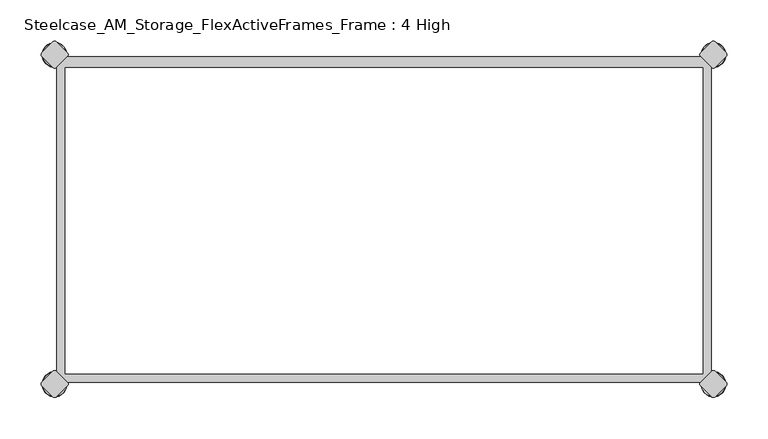
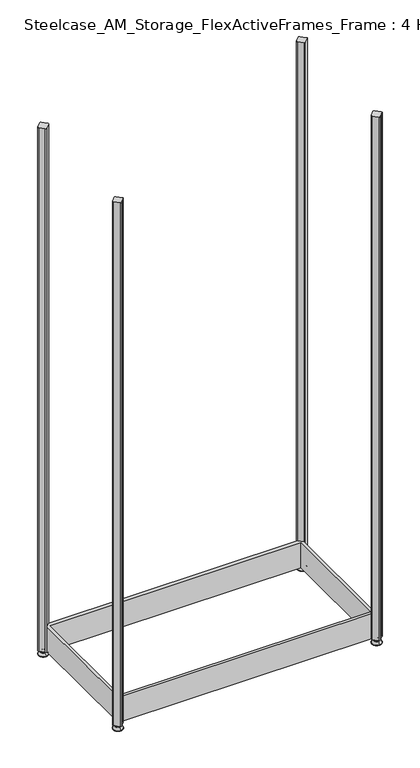
"""IFC4 building model written with IfcOpenShell, lengths in millimetres: furniture geometry, Steelcase_AM_Storage_FlexActiveFrames_Frame : 4 High."""

from ifc_helpers import new_model, si_unit, point, frame, frame_2d, origin, place, context, project, spatial, polyline, circle_curve, ellipse_curve, trimmed, segment, composite_curve, outline, extrude, source, transform, mapped, element, save
from ifc_brep_helpers import plane_surface, cylinder_surface, revolved_surface, advanced_brep


def steelcase_am_storage_flexactiveframes_frame_4_high_58f4c515(model_context):
    return source(origin(), model_context, "Body", "SolidModel", [
        extrude(outline(polyline([(2.54, -384.9123305), (2.54, -15.1376695), (15.1376695, -2.54), (784.9623305, -2.54), (797.56, -15.1376695), (797.56, -384.9123305), (784.9623305, -397.51), (15.1376695, -397.51), (2.54, -384.9123305)]), holes=[polyline([(12.7, -15.748), (12.7, -387.35), (787.4, -387.35), (787.4, -15.748), (12.7, -15.748)])]), frame((0.0, 0.0, 15.9766), z_axis=(0.0, 0.0, 1.0), x_axis=(1.0, 0.0, 0.0)), (0.0, 0.0, 1.0), 81.28),
        advanced_brep(
        [(800.1, 3.999659, 15.9766), (800.1, -3.999659, 15.9766), (800.1, 0.0, 15.9766), (800.1, 3.999659, 12.6000054), (800.1, -3.999659, 12.6000054), (800.1, 5.8601455, 12.6000054), (800.1, -5.8601455, 12.6000054), (800.1, 6.4951462, 11.9650074), (800.1, -6.4951462, 11.9650074), (800.1, 6.4951462, 9.0000124), (800.1, -6.4951462, 9.0000124), (800.1, 8.7421976, 9.0000124), (800.1, -8.7421976, 9.0000124), (800.1, 14.7060077, 2.3275608), (800.1, -14.7060077, 2.3275608), (800.1, 13.664601, 0.0), (800.1, -13.664601, 0.0), (800.1, 0.0, 0.0)],
        [
            (0, 1, circle_curve(frame((800.1, 0.0, 15.9766), z_axis=(0.0, 0.0, 1.0), x_axis=(0.0, -1.0, 0.0)), 3.999659)),
            (1, 2),
            (2, 0),
            (1, 0, circle_curve(frame((800.1, 0.0, 15.9766), z_axis=(0.0, 0.0, 1.0), x_axis=(0.0, -1.0, 0.0)), 3.999659)),
            (3, 4, circle_curve(frame((800.1, 0.0, 12.6000054), z_axis=(0.0, 0.0, 1.0), x_axis=(0.0, -1.0, 0.0)), 3.999659)),
            (4, 1),
            (0, 3),
            (4, 3, circle_curve(frame((800.1, 0.0, 12.6000054), z_axis=(0.0, 0.0, 1.0), x_axis=(0.0, -1.0, 0.0)), 3.999659)),
            (5, 6, circle_curve(frame((800.1, 0.0, 12.6000054), z_axis=(0.0, 0.0, 1.0), x_axis=(0.0, -1.0, 0.0)), 5.8601455)),
            (6, 4),
            (3, 5),
            (6, 5, circle_curve(frame((800.1, 0.0, 12.6000054), z_axis=(0.0, 0.0, 1.0), x_axis=(0.0, -1.0, 0.0)), 5.8601455)),
            (7, 8, circle_curve(frame((800.1, 0.0, 11.9650074), z_axis=(0.0, 0.0, 1.0), x_axis=(0.0, -1.0, 0.0)), 6.4951462)),
            (8, 6, circle_curve(frame((800.1, -5.8601462, 11.9650074), z_axis=(-1.0, 0.0, 0.0), x_axis=(0.0, -1.0, 0.0)), 0.635)),
            (5, 7, circle_curve(frame((800.1, 5.8601462, 11.9650074), z_axis=(-1.0, 0.0, 0.0), x_axis=(0.0, 1.0, 0.0)), 0.635)),
            (8, 7, circle_curve(frame((800.1, 0.0, 11.9650074), z_axis=(0.0, 0.0, 1.0), x_axis=(0.0, -1.0, 0.0)), 6.4951462)),
            (9, 10, circle_curve(frame((800.1, 0.0, 9.0000124), z_axis=(0.0, 0.0, 1.0), x_axis=(0.0, -1.0, 0.0)), 6.4951462)),
            (10, 8),
            (7, 9),
            (10, 9, circle_curve(frame((800.1, 0.0, 9.0000124), z_axis=(0.0, 0.0, 1.0), x_axis=(0.0, -1.0, 0.0)), 6.4951462)),
            (11, 12, circle_curve(frame((800.1, 0.0, 9.0000124), z_axis=(0.0, 0.0, 1.0), x_axis=(0.0, -1.0, 0.0)), 8.7421976)),
            (12, 10),
            (9, 11),
            (12, 11, circle_curve(frame((800.1, 0.0, 9.0000124), z_axis=(0.0, 0.0, 1.0), x_axis=(0.0, -1.0, 0.0)), 8.7421976)),
            (13, 14, circle_curve(frame((800.1, 0.0, 2.3275608), z_axis=(0.0, 0.0, 1.0), x_axis=(0.0, -1.0, 0.0)), 14.7060077)),
            (14, 12),
            (11, 13),
            (14, 13, circle_curve(frame((800.1, 0.0, 2.3275608), z_axis=(0.0, 0.0, 1.0), x_axis=(0.0, -1.0, 0.0)), 14.7060077)),
            (15, 16, circle_curve(frame((800.1, 0.0, 0.0), z_axis=(0.0, 0.0, 1.0), x_axis=(0.0, -1.0, 0.0)), 13.664601)),
            (16, 14, circle_curve(frame((800.1, -13.664601, 1.3967556), z_axis=(-1.0, 0.0, 0.0), x_axis=(0.0, -1.0, 0.0)), 1.3967556)),
            (13, 15, circle_curve(frame((800.1, 13.664601, 1.3967556), z_axis=(-1.0, 0.0, 0.0), x_axis=(0.0, 1.0, 0.0)), 1.3967556)),
            (16, 15, circle_curve(frame((800.1, 0.0, 0.0), z_axis=(0.0, 0.0, 1.0), x_axis=(0.0, -1.0, 0.0)), 13.664601)),
            (17, 16),
            (15, 17),
        ],
        [
            plane_surface(frame((800.1, 0.0, 15.9766), z_axis=(0.0, 0.0, 1.0), x_axis=(0.0, -1.0, 0.0))),
            cylinder_surface(frame((800.1, 0.0, -4.132372), z_axis=(0.0, 0.0, -1.0), x_axis=(0.0, -1.0, 0.0)), 3.999659),
            plane_surface(frame((800.1, 0.0, 12.6000054), z_axis=(0.0, 0.0, 1.0), x_axis=(0.0, -1.0, 0.0))),
            revolved_surface(trimmed(ellipse_curve(frame((800.1, -5.8601462, 11.9650074), z_axis=(1.0, 0.0, 0.0), x_axis=(0.0, -1.0, 0.0)), 0.635, 0.635), [point((800.1, -5.8601455, 12.6000074))], [point((800.1, -6.4951462, 11.9650074))], True, "CARTESIAN"), (800.1, 0.0, -4.132372), (0.0, 0.0, -1.0)),
            cylinder_surface(frame((800.1, 0.0, -4.132372), z_axis=(0.0, 0.0, -1.0), x_axis=(0.0, -1.0, 0.0)), 6.4951462),
            plane_surface(frame((800.1, 0.0, 9.0000124), z_axis=(0.0, 0.0, 1.0), x_axis=(0.0, -1.0, 0.0))),
            revolved_surface(polyline([(800.1, -8.7421976, 9.0000124), (800.1, -14.7060077, 2.3275608)]), (800.1, 0.0, -4.132372), (0.0, 0.0, -1.0)),
            revolved_surface(trimmed(ellipse_curve(frame((800.1, -13.664601, 1.3967556), z_axis=(1.0, 0.0, 0.0), x_axis=(0.0, -1.0, 0.0)), 1.3967556, 1.3967556), [point((800.1, -14.7060077, 2.3275608))], [point((800.1, -13.664601, 0.0))], True, "CARTESIAN"), (800.1, 0.0, -4.132372), (0.0, 0.0, -1.0)),
            plane_surface(frame((800.1, 0.0, 0.0), z_axis=(0.0, 0.0, -1.0), x_axis=(0.0, -1.0, 0.0))),
        ],
        [
            (0, [[1, 2, 3]]),
            (0, [[4, -3, -2]]),
            (1, [[5, 6, -1, 7]]),
            (1, [[8, -7, -4, -6]]),
            (2, [[9, 10, -5, 11]]),
            (2, [[12, -11, -8, -10]]),
            (3, [[13, 14, -9, 15]]),
            (3, [[16, -15, -12, -14]]),
            (4, [[17, 18, -13, 19]]),
            (4, [[20, -19, -16, -18]]),
            (5, [[21, 22, -17, 23]]),
            (5, [[24, -23, -20, -22]]),
            (6, [[25, 26, -21, 27]]),
            (6, [[28, -27, -24, -26]]),
            (7, [[29, 30, -25, 31]]),
            (7, [[32, -31, -28, -30]]),
            (8, [[33, -29, 34]]),
            (8, [[-34, -32, -33]]),
        ],
    ),
        advanced_brep(
        [(800.1, -400.05, 15.9766), (800.1, -396.050341, 15.9766), (800.1, -404.049659, 15.9766), (800.1, -396.050341, 12.6000054), (800.1, -404.049659, 12.6000054), (800.1, -394.1898545, 12.6000074), (800.1, -405.9101455, 12.6000074), (800.1, -393.5548538, 11.9650074), (800.1, -406.5451462, 11.9650074), (800.1, -393.5548538, 9.0000124), (800.1, -406.5451462, 9.0000124), (800.1, -391.3078024, 9.0000124), (800.1, -408.7921976, 9.0000124), (800.1, -385.3439923, 2.3275608), (800.1, -414.7560077, 2.3275608), (800.1, -386.385399, 0.0), (800.1, -413.714601, 0.0), (800.1, -400.05, 0.0)],
        [
            (0, 1),
            (1, 2, circle_curve(frame((800.1, -400.05, 15.9766), z_axis=(0.0, 0.0, 1.0), x_axis=(0.0, 1.0, 0.0)), 3.999659)),
            (2, 0),
            (2, 1, circle_curve(frame((800.1, -400.05, 15.9766), z_axis=(0.0, 0.0, 1.0), x_axis=(0.0, 1.0, 0.0)), 3.999659)),
            (1, 3),
            (3, 4, circle_curve(frame((800.1, -400.05, 12.6000054), z_axis=(0.0, 0.0, 1.0), x_axis=(0.0, 1.0, 0.0)), 3.999659)),
            (4, 2),
            (4, 3, circle_curve(frame((800.1, -400.05, 12.6000054), z_axis=(0.0, 0.0, 1.0), x_axis=(0.0, 1.0, 0.0)), 3.999659)),
            (3, 5),
            (5, 6, circle_curve(frame((800.1, -400.05, 12.6000074), z_axis=(0.0, 0.0, 1.0), x_axis=(0.0, 1.0, 0.0)), 5.8601455)),
            (6, 4),
            (6, 5, circle_curve(frame((800.1, -400.05, 12.6000074), z_axis=(0.0, 0.0, 1.0), x_axis=(0.0, 1.0, 0.0)), 5.8601455)),
            (5, 7, circle_curve(frame((800.1, -394.1898538, 11.9650074), z_axis=(-1.0, 0.0, 0.0), x_axis=(0.0, 1.0, 0.0)), 0.635)),
            (7, 8, circle_curve(frame((800.1, -400.05, 11.9650074), z_axis=(0.0, 0.0, 1.0), x_axis=(0.0, 1.0, 0.0)), 6.4951462)),
            (8, 6, circle_curve(frame((800.1, -405.9101462, 11.9650074), z_axis=(-1.0, 0.0, 0.0), x_axis=(0.0, -1.0, 0.0)), 0.635)),
            (8, 7, circle_curve(frame((800.1, -400.05, 11.9650074), z_axis=(0.0, 0.0, 1.0), x_axis=(0.0, 1.0, 0.0)), 6.4951462)),
            (7, 9),
            (9, 10, circle_curve(frame((800.1, -400.05, 9.0000124), z_axis=(0.0, 0.0, 1.0), x_axis=(0.0, 1.0, 0.0)), 6.4951462)),
            (10, 8),
            (10, 9, circle_curve(frame((800.1, -400.05, 9.0000124), z_axis=(0.0, 0.0, 1.0), x_axis=(0.0, 1.0, 0.0)), 6.4951462)),
            (9, 11),
            (11, 12, circle_curve(frame((800.1, -400.05, 9.0000124), z_axis=(0.0, 0.0, 1.0), x_axis=(0.0, 1.0, 0.0)), 8.7421976)),
            (12, 10),
            (12, 11, circle_curve(frame((800.1, -400.05, 9.0000124), z_axis=(0.0, 0.0, 1.0), x_axis=(0.0, 1.0, 0.0)), 8.7421976)),
            (11, 13),
            (13, 14, circle_curve(frame((800.1, -400.05, 2.3275608), z_axis=(0.0, 0.0, 1.0), x_axis=(0.0, 1.0, 0.0)), 14.7060077)),
            (14, 12),
            (14, 13, circle_curve(frame((800.1, -400.05, 2.3275608), z_axis=(0.0, 0.0, 1.0), x_axis=(0.0, 1.0, 0.0)), 14.7060077)),
            (13, 15, circle_curve(frame((800.1, -386.385399, 1.3967556), z_axis=(-1.0, 0.0, 0.0), x_axis=(0.0, 1.0, 0.0)), 1.3967556)),
            (15, 16, circle_curve(frame((800.1, -400.05, 0.0), z_axis=(0.0, 0.0, 1.0), x_axis=(0.0, 1.0, 0.0)), 13.664601)),
            (16, 14, circle_curve(frame((800.1, -413.714601, 1.3967556), z_axis=(-1.0, 0.0, 0.0), x_axis=(0.0, -1.0, 0.0)), 1.3967556)),
            (16, 15, circle_curve(frame((800.1, -400.05, 0.0), z_axis=(0.0, 0.0, 1.0), x_axis=(0.0, 1.0, 0.0)), 13.664601)),
            (15, 17),
            (17, 16),
        ],
        [
            plane_surface(frame((800.1, -400.05, 15.9766), z_axis=(0.0, 0.0, 1.0), x_axis=(0.0, 1.0, 0.0))),
            cylinder_surface(frame((800.1, -400.05, -4.132372), z_axis=(0.0, 0.0, 1.0), x_axis=(0.0, 1.0, 0.0)), 3.999659),
            plane_surface(frame((800.1, -400.05, 12.6000074), z_axis=(0.0, 0.0, 1.0), x_axis=(0.0, 1.0, 0.0))),
            revolved_surface(trimmed(ellipse_curve(frame((800.1, -394.1898538, 11.9650074), z_axis=(1.0, 0.0, 0.0), x_axis=(0.0, 1.0, 0.0)), 0.635, 0.635), [point((800.1, -393.5548538, 11.9650074))], [point((800.1, -394.1898545, 12.6000074))], True, "CARTESIAN"), (800.1, -400.05, -4.132372), (0.0, 0.0, 1.0)),
            cylinder_surface(frame((800.1, -400.05, -4.132372), z_axis=(0.0, 0.0, 1.0), x_axis=(0.0, 1.0, 0.0)), 6.4951462),
            plane_surface(frame((800.1, -400.05, 9.0000124), z_axis=(0.0, 0.0, 1.0), x_axis=(0.0, 1.0, 0.0))),
            revolved_surface(polyline([(800.1, -385.3439923, 2.3275608), (800.1, -391.3078024, 9.0000124)]), (800.1, -400.05, -4.132372), (0.0, 0.0, 1.0)),
            revolved_surface(trimmed(ellipse_curve(frame((800.1, -386.385399, 1.3967556), z_axis=(1.0, 0.0, 0.0), x_axis=(0.0, 1.0, 0.0)), 1.3967556, 1.3967556), [point((800.1, -386.385399, 0.0))], [point((800.1, -385.3439923, 2.3275608))], True, "CARTESIAN"), (800.1, -400.05, -4.132372), (0.0, 0.0, 1.0)),
            plane_surface(frame((800.1, -400.05, 0.0), z_axis=(0.0, 0.0, -1.0), x_axis=(0.0, 1.0, 0.0))),
        ],
        [
            (0, [[1, 2, 3]]),
            (0, [[-3, 4, -1]]),
            (1, [[-2, 5, 6, 7]]),
            (1, [[-4, -7, 8, -5]]),
            (2, [[-6, 9, 10, 11]]),
            (2, [[-8, -11, 12, -9]]),
            (3, [[-10, 13, 14, 15]]),
            (3, [[-12, -15, 16, -13]]),
            (4, [[-14, 17, 18, 19]]),
            (4, [[-16, -19, 20, -17]]),
            (5, [[-18, 21, 22, 23]]),
            (5, [[-20, -23, 24, -21]]),
            (6, [[-22, 25, 26, 27]]),
            (6, [[-24, -27, 28, -25]]),
            (7, [[-26, 29, 30, 31]]),
            (7, [[-28, -31, 32, -29]]),
            (8, [[-30, 33, 34]]),
            (8, [[-32, -34, -33]]),
        ],
    ),
        advanced_brep(
        [(0.0, -400.05, 15.9766), (0.0, -396.050341, 15.9766), (0.0, -404.049659, 15.9766), (0.0, -396.050341, 12.6000054), (0.0, -404.049659, 12.6000054), (0.0, -394.1898545, 12.6000074), (0.0, -405.9101455, 12.6000074), (0.0, -393.5548538, 11.9650074), (0.0, -406.5451462, 11.9650074), (0.0, -393.5548538, 9.0000124), (0.0, -406.5451462, 9.0000124), (0.0, -391.3078024, 9.0000124), (0.0, -408.7921976, 9.0000124), (0.0, -385.3439923, 2.3275608), (0.0, -414.7560077, 2.3275608), (0.0, -386.385399, 0.0), (0.0, -413.714601, 0.0), (0.0, -400.05, 0.0)],
        [
            (0, 1),
            (1, 2, circle_curve(frame((0.0, -400.05, 15.9766), z_axis=(0.0, 0.0, 1.0), x_axis=(0.0, 1.0, 0.0)), 3.999659)),
            (2, 0),
            (2, 1, circle_curve(frame((0.0, -400.05, 15.9766), z_axis=(0.0, 0.0, 1.0), x_axis=(0.0, 1.0, 0.0)), 3.999659)),
            (1, 3),
            (3, 4, circle_curve(frame((0.0, -400.05, 12.6000054), z_axis=(0.0, 0.0, 1.0), x_axis=(0.0, 1.0, 0.0)), 3.999659)),
            (4, 2),
            (4, 3, circle_curve(frame((0.0, -400.05, 12.6000054), z_axis=(0.0, 0.0, 1.0), x_axis=(0.0, 1.0, 0.0)), 3.999659)),
            (3, 5),
            (5, 6, circle_curve(frame((0.0, -400.05, 12.6000074), z_axis=(0.0, 0.0, 1.0), x_axis=(0.0, 1.0, 0.0)), 5.8601455)),
            (6, 4),
            (6, 5, circle_curve(frame((0.0, -400.05, 12.6000074), z_axis=(0.0, 0.0, 1.0), x_axis=(0.0, 1.0, 0.0)), 5.8601455)),
            (5, 7, circle_curve(frame((0.0, -394.1898538, 11.9650074), z_axis=(-1.0, 0.0, 0.0), x_axis=(0.0, -1.0, 0.0)), 0.635)),
            (7, 8, circle_curve(frame((0.0, -400.05, 11.9650074), z_axis=(0.0, 0.0, 1.0), x_axis=(0.0, 1.0, 0.0)), 6.4951462)),
            (8, 6, circle_curve(frame((0.0, -405.9101462, 11.9650074), z_axis=(-1.0, 0.0, 0.0), x_axis=(0.0, 1.0, 0.0)), 0.635)),
            (8, 7, circle_curve(frame((0.0, -400.05, 11.9650074), z_axis=(0.0, 0.0, 1.0), x_axis=(0.0, 1.0, 0.0)), 6.4951462)),
            (7, 9),
            (9, 10, circle_curve(frame((0.0, -400.05, 9.0000124), z_axis=(0.0, 0.0, 1.0), x_axis=(0.0, 1.0, 0.0)), 6.4951462)),
            (10, 8),
            (10, 9, circle_curve(frame((0.0, -400.05, 9.0000124), z_axis=(0.0, 0.0, 1.0), x_axis=(0.0, 1.0, 0.0)), 6.4951462)),
            (9, 11),
            (11, 12, circle_curve(frame((0.0, -400.05, 9.0000124), z_axis=(0.0, 0.0, 1.0), x_axis=(0.0, 1.0, 0.0)), 8.7421976)),
            (12, 10),
            (12, 11, circle_curve(frame((0.0, -400.05, 9.0000124), z_axis=(0.0, 0.0, 1.0), x_axis=(0.0, 1.0, 0.0)), 8.7421976)),
            (11, 13),
            (13, 14, circle_curve(frame((0.0, -400.05, 2.3275608), z_axis=(0.0, 0.0, 1.0), x_axis=(0.0, 1.0, 0.0)), 14.7060077)),
            (14, 12),
            (14, 13, circle_curve(frame((0.0, -400.05, 2.3275608), z_axis=(0.0, 0.0, 1.0), x_axis=(0.0, 1.0, 0.0)), 14.7060077)),
            (13, 15, circle_curve(frame((0.0, -386.385399, 1.3967556), z_axis=(-1.0, 0.0, 0.0), x_axis=(0.0, -1.0, 0.0)), 1.3967556)),
            (15, 16, circle_curve(frame((0.0, -400.05, 0.0), z_axis=(0.0, 0.0, 1.0), x_axis=(0.0, 1.0, 0.0)), 13.664601)),
            (16, 14, circle_curve(frame((0.0, -413.714601, 1.3967556), z_axis=(-1.0, 0.0, 0.0), x_axis=(0.0, 1.0, 0.0)), 1.3967556)),
            (16, 15, circle_curve(frame((0.0, -400.05, 0.0), z_axis=(0.0, 0.0, 1.0), x_axis=(0.0, 1.0, 0.0)), 13.664601)),
            (15, 17),
            (17, 16),
        ],
        [
            plane_surface(frame((0.0, -400.05, 15.9766), z_axis=(0.0, 0.0, 1.0), x_axis=(0.0, 1.0, 0.0))),
            cylinder_surface(frame((0.0, -400.05, -4.132372), z_axis=(0.0, 0.0, 1.0), x_axis=(0.0, 1.0, 0.0)), 3.999659),
            plane_surface(frame((0.0, -400.05, 12.6000074), z_axis=(0.0, 0.0, 1.0), x_axis=(0.0, 1.0, 0.0))),
            revolved_surface(trimmed(ellipse_curve(frame((0.0, -394.1898538, 11.9650074), z_axis=(1.0, 0.0, 0.0), x_axis=(0.0, -1.0, 0.0)), 0.635, 0.635), [point((0.0, -393.5548538, 11.9650074))], [point((0.0, -394.1898545, 12.6000074))], True, "CARTESIAN"), (0.0, -400.05, -4.132372), (0.0, 0.0, 1.0)),
            cylinder_surface(frame((0.0, -400.05, -4.132372), z_axis=(0.0, 0.0, 1.0), x_axis=(0.0, 1.0, 0.0)), 6.4951462),
            plane_surface(frame((0.0, -400.05, 9.0000124), z_axis=(0.0, 0.0, 1.0), x_axis=(0.0, 1.0, 0.0))),
            revolved_surface(polyline([(0.0, -385.3439923, 2.3275608), (0.0, -391.3078024, 9.0000124)]), (0.0, -400.05, -4.132372), (0.0, 0.0, 1.0)),
            revolved_surface(trimmed(ellipse_curve(frame((0.0, -386.385399, 1.3967556), z_axis=(1.0, 0.0, 0.0), x_axis=(0.0, -1.0, 0.0)), 1.3967556, 1.3967556), [point((0.0, -386.385399, 0.0))], [point((0.0, -385.3439923, 2.3275608))], True, "CARTESIAN"), (0.0, -400.05, -4.132372), (0.0, 0.0, 1.0)),
            plane_surface(frame((0.0, -400.05, 0.0), z_axis=(0.0, 0.0, -1.0), x_axis=(0.0, 1.0, 0.0))),
        ],
        [
            (0, [[1, 2, 3]]),
            (0, [[-3, 4, -1]]),
            (1, [[-2, 5, 6, 7]]),
            (1, [[-4, -7, 8, -5]]),
            (2, [[-6, 9, 10, 11]]),
            (2, [[-8, -11, 12, -9]]),
            (3, [[-10, 13, 14, 15]]),
            (3, [[-12, -15, 16, -13]]),
            (4, [[-14, 17, 18, 19]]),
            (4, [[-16, -19, 20, -17]]),
            (5, [[-18, 21, 22, 23]]),
            (5, [[-20, -23, 24, -21]]),
            (6, [[-22, 25, 26, 27]]),
            (6, [[-24, -27, 28, -25]]),
            (7, [[-26, 29, 30, 31]]),
            (7, [[-28, -31, 32, -29]]),
            (8, [[-30, 33, 34]]),
            (8, [[-32, -34, -33]]),
        ],
    ),
        advanced_brep(
        [(0.0, 3.999659, 15.9766), (0.0, -3.999659, 15.9766), (0.0, 0.0, 15.9766), (0.0, 3.999659, 12.6000054), (0.0, -3.999659, 12.6000054), (0.0, 5.8601455, 12.6000054), (0.0, -5.8601455, 12.6000054), (0.0, 6.4951462, 11.9650074), (0.0, -6.4951462, 11.9650074), (0.0, 6.4951462, 9.0000124), (0.0, -6.4951462, 9.0000124), (0.0, 8.7421976, 9.0000124), (0.0, -8.7421976, 9.0000124), (0.0, 14.7060077, 2.3275608), (0.0, -14.7060077, 2.3275608), (0.0, 13.664601, 0.0), (0.0, -13.664601, 0.0), (0.0, 0.0, 0.0)],
        [
            (0, 1, circle_curve(frame((0.0, 0.0, 15.9766), z_axis=(0.0, 0.0, 1.0), x_axis=(0.0, -1.0, 0.0)), 3.999659)),
            (1, 2),
            (2, 0),
            (1, 0, circle_curve(frame((0.0, 0.0, 15.9766), z_axis=(0.0, 0.0, 1.0), x_axis=(0.0, -1.0, 0.0)), 3.999659)),
            (3, 4, circle_curve(frame((0.0, 0.0, 12.6000054), z_axis=(0.0, 0.0, 1.0), x_axis=(0.0, -1.0, 0.0)), 3.999659)),
            (4, 1),
            (0, 3),
            (4, 3, circle_curve(frame((0.0, 0.0, 12.6000054), z_axis=(0.0, 0.0, 1.0), x_axis=(0.0, -1.0, 0.0)), 3.999659)),
            (5, 6, circle_curve(frame((0.0, 0.0, 12.6000054), z_axis=(0.0, 0.0, 1.0), x_axis=(0.0, -1.0, 0.0)), 5.8601455)),
            (6, 4),
            (3, 5),
            (6, 5, circle_curve(frame((0.0, 0.0, 12.6000054), z_axis=(0.0, 0.0, 1.0), x_axis=(0.0, -1.0, 0.0)), 5.8601455)),
            (7, 8, circle_curve(frame((0.0, 0.0, 11.9650074), z_axis=(0.0, 0.0, 1.0), x_axis=(0.0, -1.0, 0.0)), 6.4951462)),
            (8, 6, circle_curve(frame((0.0, -5.8601462, 11.9650074), z_axis=(-1.0, 0.0, 0.0), x_axis=(0.0, 1.0, 0.0)), 0.635)),
            (5, 7, circle_curve(frame((0.0, 5.8601462, 11.9650074), z_axis=(-1.0, 0.0, 0.0), x_axis=(0.0, -1.0, 0.0)), 0.635)),
            (8, 7, circle_curve(frame((0.0, 0.0, 11.9650074), z_axis=(0.0, 0.0, 1.0), x_axis=(0.0, -1.0, 0.0)), 6.4951462)),
            (9, 10, circle_curve(frame((0.0, 0.0, 9.0000124), z_axis=(0.0, 0.0, 1.0), x_axis=(0.0, -1.0, 0.0)), 6.4951462)),
            (10, 8),
            (7, 9),
            (10, 9, circle_curve(frame((0.0, 0.0, 9.0000124), z_axis=(0.0, 0.0, 1.0), x_axis=(0.0, -1.0, 0.0)), 6.4951462)),
            (11, 12, circle_curve(frame((0.0, 0.0, 9.0000124), z_axis=(0.0, 0.0, 1.0), x_axis=(0.0, -1.0, 0.0)), 8.7421976)),
            (12, 10),
            (9, 11),
            (12, 11, circle_curve(frame((0.0, 0.0, 9.0000124), z_axis=(0.0, 0.0, 1.0), x_axis=(0.0, -1.0, 0.0)), 8.7421976)),
            (13, 14, circle_curve(frame((0.0, 0.0, 2.3275608), z_axis=(0.0, 0.0, 1.0), x_axis=(0.0, -1.0, 0.0)), 14.7060077)),
            (14, 12),
            (11, 13),
            (14, 13, circle_curve(frame((0.0, 0.0, 2.3275608), z_axis=(0.0, 0.0, 1.0), x_axis=(0.0, -1.0, 0.0)), 14.7060077)),
            (15, 16, circle_curve(frame((0.0, 0.0, 0.0), z_axis=(0.0, 0.0, 1.0), x_axis=(0.0, -1.0, 0.0)), 13.664601)),
            (16, 14, circle_curve(frame((0.0, -13.664601, 1.3967556), z_axis=(-1.0, 0.0, 0.0), x_axis=(0.0, 1.0, 0.0)), 1.3967556)),
            (13, 15, circle_curve(frame((0.0, 13.664601, 1.3967556), z_axis=(-1.0, 0.0, 0.0), x_axis=(0.0, -1.0, 0.0)), 1.3967556)),
            (16, 15, circle_curve(frame((0.0, 0.0, 0.0), z_axis=(0.0, 0.0, 1.0), x_axis=(0.0, -1.0, 0.0)), 13.664601)),
            (17, 16),
            (15, 17),
        ],
        [
            plane_surface(frame((0.0, 0.0, 15.9766), z_axis=(0.0, 0.0, 1.0), x_axis=(0.0, -1.0, 0.0))),
            cylinder_surface(frame((0.0, 0.0, -4.132372), z_axis=(0.0, 0.0, -1.0), x_axis=(0.0, -1.0, 0.0)), 3.999659),
            plane_surface(frame((0.0, 0.0, 12.6000054), z_axis=(0.0, 0.0, 1.0), x_axis=(0.0, -1.0, 0.0))),
            revolved_surface(trimmed(ellipse_curve(frame((0.0, -5.8601462, 11.9650074), z_axis=(1.0, 0.0, 0.0), x_axis=(0.0, 1.0, 0.0)), 0.635, 0.635), [point((0.0, -5.8601455, 12.6000074))], [point((0.0, -6.4951462, 11.9650074))], True, "CARTESIAN"), (0.0, 0.0, -4.132372), (0.0, 0.0, -1.0)),
            cylinder_surface(frame((0.0, 0.0, -4.132372), z_axis=(0.0, 0.0, -1.0), x_axis=(0.0, -1.0, 0.0)), 6.4951462),
            plane_surface(frame((0.0, 0.0, 9.0000124), z_axis=(0.0, 0.0, 1.0), x_axis=(0.0, -1.0, 0.0))),
            revolved_surface(polyline([(0.0, -8.7421976, 9.0000124), (0.0, -14.7060077, 2.3275608)]), (0.0, 0.0, -4.132372), (0.0, 0.0, -1.0)),
            revolved_surface(trimmed(ellipse_curve(frame((0.0, -13.664601, 1.3967556), z_axis=(1.0, 0.0, 0.0), x_axis=(0.0, 1.0, 0.0)), 1.3967556, 1.3967556), [point((0.0, -14.7060077, 2.3275608))], [point((0.0, -13.664601, 0.0))], True, "CARTESIAN"), (0.0, 0.0, -4.132372), (0.0, 0.0, -1.0)),
            plane_surface(frame((0.0, 0.0, 0.0), z_axis=(0.0, 0.0, -1.0), x_axis=(0.0, -1.0, 0.0))),
        ],
        [
            (0, [[1, 2, 3]]),
            (0, [[4, -3, -2]]),
            (1, [[5, 6, -1, 7]]),
            (1, [[8, -7, -4, -6]]),
            (2, [[9, 10, -5, 11]]),
            (2, [[12, -11, -8, -10]]),
            (3, [[13, 14, -9, 15]]),
            (3, [[16, -15, -12, -14]]),
            (4, [[17, 18, -13, 19]]),
            (4, [[20, -19, -16, -18]]),
            (5, [[21, 22, -17, 23]]),
            (5, [[24, -23, -20, -22]]),
            (6, [[25, 26, -21, 27]]),
            (6, [[28, -27, -24, -26]]),
            (7, [[29, 30, -25, 31]]),
            (7, [[32, -31, -28, -30]]),
            (8, [[33, -29, 34]]),
            (8, [[-34, -32, -33]]),
        ],
    ),
        extrude(outline(composite_curve([segment(polyline([(-2.245064, -15.4326055), (-15.4326055, -2.245064)]), True, "CONTINUOUS"), segment(trimmed(circle_curve(frame_2d((-13.1875415, 0.0)), 3.175), [point((-15.4326055, -2.245064))], [point((-15.4326055, 2.245064))], False, "CARTESIAN"), True, "CONTINUOUS"), segment(polyline([(-15.4326055, 2.245064), (-2.245064, 15.4326055)]), True, "CONTINUOUS"), segment(trimmed(circle_curve(frame_2d((0.0, 13.1875415)), 3.175), [point((-2.245064, 15.4326055))], [point((2.245064, 15.4326055))], False, "CARTESIAN"), True, "CONTINUOUS"), segment(polyline([(2.245064, 15.4326055), (15.4326055, 2.245064)]), True, "CONTINUOUS"), segment(trimmed(circle_curve(frame_2d((13.1875415, 0.0)), 3.175), [point((15.4326055, 2.245064))], [point((15.4326055, -2.245064))], False, "CARTESIAN"), True, "CONTINUOUS"), segment(polyline([(15.4326055, -2.245064), (2.245064, -15.4326055)]), True, "CONTINUOUS"), segment(trimmed(circle_curve(frame_2d((0.0, -13.1875415)), 3.175), [point((2.245064, -15.4326055))], [point((-2.245064, -15.4326055))], False, "CARTESIAN"), True, "CONTINUOUS")], self_intersect=False)), frame((0.0, 0.0, 15.9766), z_axis=(0.0, 0.0, 1.0), x_axis=(1.0, 0.0, 0.0)), (0.0, 0.0, 1.0), 1709.9534),
        extrude(outline(composite_curve([segment(trimmed(circle_curve(frame_2d((800.1, -13.1875415)), 3.175), [point((802.345064, -15.4326055))], [point((797.854936, -15.4326055))], False, "CARTESIAN"), True, "CONTINUOUS"), segment(polyline([(797.854936, -15.4326055), (784.6673945, -2.245064)]), True, "CONTINUOUS"), segment(trimmed(circle_curve(frame_2d((786.9124585, 0.0)), 3.175), [point((784.6673945, -2.245064))], [point((784.6673945, 2.245064))], False, "CARTESIAN"), True, "CONTINUOUS"), segment(polyline([(784.6673945, 2.245064), (797.854936, 15.4326055)]), True, "CONTINUOUS"), segment(trimmed(circle_curve(frame_2d((800.1, 13.1875415)), 3.175), [point((797.854936, 15.4326055))], [point((802.345064, 15.4326055))], False, "CARTESIAN"), True, "CONTINUOUS"), segment(polyline([(802.345064, 15.4326055), (815.5326055, 2.245064)]), True, "CONTINUOUS"), segment(trimmed(circle_curve(frame_2d((813.2875415, 0.0)), 3.175), [point((815.5326055, 2.245064))], [point((815.5326055, -2.245064))], False, "CARTESIAN"), True, "CONTINUOUS"), segment(polyline([(815.5326055, -2.245064), (802.345064, -15.4326055)]), True, "CONTINUOUS")], self_intersect=False)), frame((0.0, 0.0, 15.9766), z_axis=(0.0, 0.0, 1.0), x_axis=(1.0, 0.0, 0.0)), (0.0, 0.0, 1.0), 1709.9534),
        extrude(outline(composite_curve([segment(polyline([(802.345064, -384.6173945), (815.5326055, -397.804936)]), True, "CONTINUOUS"), segment(trimmed(circle_curve(frame_2d((813.2875415, -400.05)), 3.175), [point((815.5326055, -397.804936))], [point((815.5326055, -402.295064))], False, "CARTESIAN"), True, "CONTINUOUS"), segment(polyline([(815.5326055, -402.295064), (802.345064, -415.4826055)]), True, "CONTINUOUS"), segment(trimmed(circle_curve(frame_2d((800.1, -413.2375415)), 3.175), [point((802.345064, -415.4826055))], [point((797.854936, -415.4826055))], False, "CARTESIAN"), True, "CONTINUOUS"), segment(polyline([(797.854936, -415.4826055), (784.6673945, -402.295064)]), True, "CONTINUOUS"), segment(trimmed(circle_curve(frame_2d((786.9124585, -400.05)), 3.175), [point((784.6673945, -402.295064))], [point((784.6673945, -397.804936))], False, "CARTESIAN"), True, "CONTINUOUS"), segment(polyline([(784.6673945, -397.804936), (797.854936, -384.6173945)]), True, "CONTINUOUS"), segment(trimmed(circle_curve(frame_2d((800.1, -386.8624585)), 3.175), [point((797.854936, -384.6173945))], [point((802.345064, -384.6173945))], False, "CARTESIAN"), True, "CONTINUOUS")], self_intersect=False)), frame((0.0, 0.0, 15.9766), z_axis=(0.0, 0.0, 1.0), x_axis=(1.0, 0.0, 0.0)), (0.0, 0.0, 1.0), 1709.9534),
        extrude(outline(composite_curve([segment(trimmed(circle_curve(frame_2d((0.0, -386.8624585)), 3.175), [point((-2.245064, -384.6173945))], [point((2.245064, -384.6173945))], False, "CARTESIAN"), True, "CONTINUOUS"), segment(polyline([(2.245064, -384.6173945), (15.4326055, -397.804936)]), True, "CONTINUOUS"), segment(trimmed(circle_curve(frame_2d((13.1875415, -400.05)), 3.175), [point((15.4326055, -397.804936))], [point((15.4326055, -402.295064))], False, "CARTESIAN"), True, "CONTINUOUS"), segment(polyline([(15.4326055, -402.295064), (2.245064, -415.4826055)]), True, "CONTINUOUS"), segment(trimmed(circle_curve(frame_2d((0.0, -413.2375415)), 3.175), [point((2.245064, -415.4826055))], [point((-2.245064, -415.4826055))], False, "CARTESIAN"), True, "CONTINUOUS"), segment(polyline([(-2.245064, -415.4826055), (-15.4326055, -402.295064)]), True, "CONTINUOUS"), segment(trimmed(circle_curve(frame_2d((-13.1875415, -400.05)), 3.175), [point((-15.4326055, -402.295064))], [point((-15.4326055, -397.804936))], False, "CARTESIAN"), True, "CONTINUOUS"), segment(polyline([(-15.4326055, -397.804936), (-2.245064, -384.6173945)]), True, "CONTINUOUS")], self_intersect=False)), frame((0.0, 0.0, 15.9766), z_axis=(0.0, 0.0, 1.0), x_axis=(1.0, 0.0, 0.0)), (0.0, 0.0, 1.0), 1709.9534),
    ])


if __name__ == "__main__":
    model = new_model("IFC4")
    model_context = context("Model", 3, world=origin())
    ifc_project = project(units=[si_unit("LENGTHUNIT", "METRE", prefix="MILLI")], contexts=[model_context])
    site = spatial("IfcSite", under=ifc_project)
    building = spatial("IfcBuilding", under=site)
    placement = place(None, origin())
    steelcase_am_storage_flexactiveframes_frame_4_high_shape = steelcase_am_storage_flexactiveframes_frame_4_high_58f4c515(model_context)
    element("IfcFurniture", 1, ObjectType="Steelcase_AM_Storage_FlexActiveFrames_Frame : 4 High", at=placement, inside=building, context=model_context, shape_type="MappedRepresentation", body=[
        mapped(steelcase_am_storage_flexactiveframes_frame_4_high_shape, transform((0.0, 0.0, 0.0), x_axis=(1.0, 0.0, 0.0), y_axis=(0.0, 1.0, 0.0), z_axis=(0.0, 0.0, 1.0))),
    ])
    save(model, "model.ifc")
